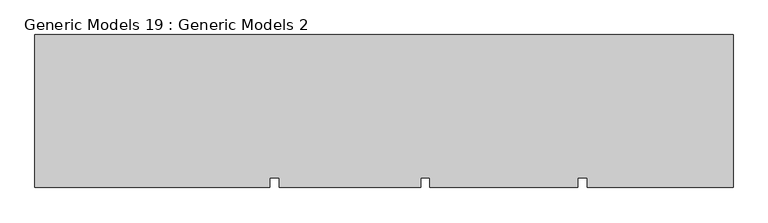
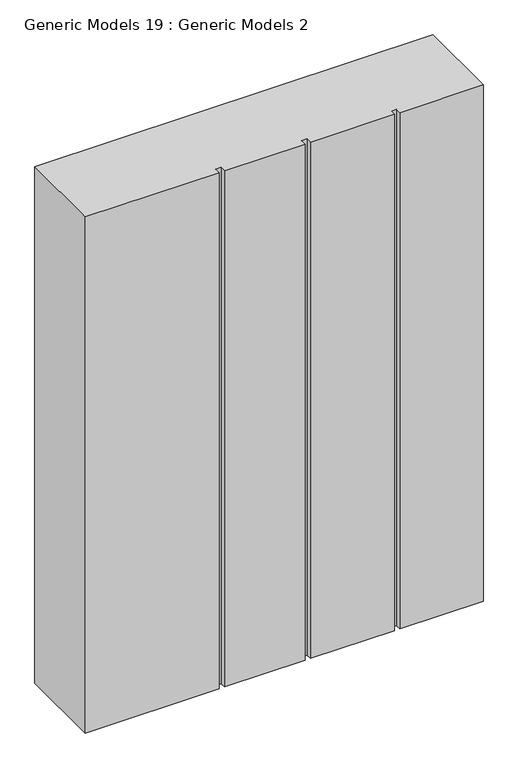
"""IFC4 building model written with IfcOpenShell, lengths in millimetres: proxy geometry, Generic Models 19 : Generic Models 2."""

import ifcopenshell
import ifcopenshell.guid

model = None  # the IFC model being written
_history = None  # IfcOwnerHistory: only IFC2X3 demands one
_inside = {}  # id of a spatial element -> (the spatial element, [elements in it])
_under = {}  # id of a project, library or spatial element -> (it, [spatial elements below it])
_declared = {}  # id of a project -> (the project, [libraries it declares])
_typed = {}  # id of a type object -> (the type object, [elements of that type])
_made_of = {}  # id of a material, layer set ... -> (it, [elements and type objects made of it])


def new_model(schema):
    """Start an empty IFC model of exactly this schema.

    Asked for "IFC4X3", IfcOpenShell would pick the latest addendum, in which some entities
    have other attributes; the version numbers below select the first issue.
    IFC2X3 requires an IfcOwnerHistory on every rooted entity: one is made here for all.
    """
    global model, _history
    if schema == "IFC4X3":
        model = ifcopenshell.file(schema_version=(4, 3, 0, 0))
    else:
        model = ifcopenshell.file(schema=schema)
    _inside.clear()
    _under.clear()
    _declared.clear()
    _typed.clear()
    _made_of.clear()
    _history = None
    if model.schema == "IFC2X3":
        org = make("IfcOrganization", Name="unknown")
        user = make(
            "IfcPersonAndOrganization",
            ThePerson=make("IfcPerson", FamilyName="unknown"),
            TheOrganization=org,
        )
        app = make(
            "IfcApplication",
            ApplicationDeveloper=org,
            Version="unknown",
            ApplicationFullName="unknown",
            ApplicationIdentifier="unknown",
        )
        _history = make(
            "IfcOwnerHistory",
            OwningUser=user,
            OwningApplication=app,
            ChangeAction="ADDED",
            CreationDate=0,
        )
    return model


def make(cls, **values):
    """One entity of the class cls with the attributes given. An attribute that is None is left unset."""
    return model.create_entity(
        cls, **{name: value for name, value in values.items() if value is not None}
    )


def rooted(cls, **values):
    """An entity with a GlobalId (a new one), such as an element, a storey or a relation."""
    return make(cls, GlobalId=ifcopenshell.guid.new(), OwnerHistory=_history, **values)


def si_unit(unit_type, name, prefix=None):
    """IfcSIUnit, for example si_unit("LENGTHUNIT", "METRE", prefix="MILLI")."""
    return make("IfcSIUnit", UnitType=unit_type, Prefix=prefix, Name=name)


def assignment(units):
    """IfcUnitAssignment: the units of a project."""
    return None if units is None else make("IfcUnitAssignment", Units=units)


def point(xyz):
    """IfcCartesianPoint."""
    return None if xyz is None else make("IfcCartesianPoint", Coordinates=xyz)


def direction(xyz):
    """IfcDirection."""
    return None if xyz is None else make("IfcDirection", DirectionRatios=xyz)


def frame(location, z_axis=None, x_axis=None):
    """IfcAxis2Placement3D, a coordinate frame: its origin and axes. An axis left out is left unset."""
    return make(
        "IfcAxis2Placement3D",
        Location=point(location),
        Axis=direction(z_axis),
        RefDirection=direction(x_axis),
    )


def origin():
    """The frame at (0, 0, 0) with its axes left unset."""
    return frame((0.0, 0.0, 0.0))


def place(relative_to, where):
    """IfcLocalPlacement: puts the frame where relative to a parent placement (None: the world)."""
    return make(
        "IfcLocalPlacement", PlacementRelTo=relative_to, RelativePlacement=where
    )


def context(
    kind, dimensions, precision=None, world=None, true_north=None, identifier=None
):
    """IfcGeometricRepresentationContext, for example the 3D "Model" context."""
    return make(
        "IfcGeometricRepresentationContext",
        ContextIdentifier=identifier,
        ContextType=kind,
        CoordinateSpaceDimension=dimensions,
        Precision=precision,
        WorldCoordinateSystem=world,
        TrueNorth=true_north,
    )


def project(units=None, contexts=None):
    """IfcProject with its units and contexts."""
    return rooted(
        "IfcProject",
        Name="project",
        RepresentationContexts=contexts,
        UnitsInContext=assignment(units),
    )


def spatial(cls, under=None, at=None, **own):
    """A site, building, storey or space (cls), placed at a placement, below another one or the project."""
    s = rooted(cls, ObjectPlacement=at, **own)
    if under is not None:
        _under.setdefault(under.id(), (under, []))[1].append(s)
    return s


def polyline(points):
    """IfcPolyline through the points."""
    return make("IfcPolyline", Points=[point(p) for p in points])


def outline(outer, holes=None, kind="AREA"):
    """IfcArbitraryClosedProfileDef: a profile drawn as a closed curve; with holes, ...WithVoids."""
    if holes is None:
        return make("IfcArbitraryClosedProfileDef", ProfileType=kind, OuterCurve=outer)
    return make(
        "IfcArbitraryProfileDefWithVoids",
        ProfileType=kind,
        OuterCurve=outer,
        InnerCurves=holes,
    )


def extrude(swept, where, along, depth):
    """IfcExtrudedAreaSolid: the profile swept, set in the frame where, extruded along a direction by depth."""
    return make(
        "IfcExtrudedAreaSolid",
        SweptArea=swept,
        Position=where,
        ExtrudedDirection=direction(along),
        Depth=depth,
    )


def shape(context_of_items, identifier, shape_type, items):
    """IfcShapeRepresentation: the items that make up one representation, for example the "Body"."""
    return make(
        "IfcShapeRepresentation",
        ContextOfItems=context_of_items,
        RepresentationIdentifier=identifier,
        RepresentationType=shape_type,
        Items=items,
    )


def source(mapping_origin, context_of_items, identifier, shape_type, items):
    """IfcRepresentationMap: a shape defined once, which mapped items show again and again."""
    return make(
        "IfcRepresentationMap",
        MappingOrigin=mapping_origin,
        MappedRepresentation=shape(context_of_items, identifier, shape_type, items),
    )


def transform(
    local_origin,
    x_axis=None,
    y_axis=None,
    z_axis=None,
    scale=None,
    scale2=None,
    scale3=None,
    uniform=True,
):
    """IfcCartesianTransformationOperator3D, or its non-uniform kind. x_axis, y_axis, z_axis: its Axis1, 2, 3."""
    if uniform:
        return make(
            "IfcCartesianTransformationOperator3D",
            Axis1=direction(x_axis),
            Axis2=direction(y_axis),
            LocalOrigin=point(local_origin),
            Scale=scale,
            Axis3=direction(z_axis),
        )
    return make(
        "IfcCartesianTransformationOperator3DnonUniform",
        Axis1=direction(x_axis),
        Axis2=direction(y_axis),
        LocalOrigin=point(local_origin),
        Scale=scale,
        Axis3=direction(z_axis),
        Scale2=scale2,
        Scale3=scale3,
    )


def mapped(mapping_source, mapping_target):
    """IfcMappedItem: shows the shape of a source again, moved by a transform."""
    return make(
        "IfcMappedItem", MappingSource=mapping_source, MappingTarget=mapping_target
    )


def made_of(thing, what):
    """Note that an element or type object is made of a material, layer set ...; save() writes the relation."""
    if what is not None:
        _made_of.setdefault(what.id(), (what, []))[1].append(thing)
    return thing


def element(
    cls,
    number,
    at=None,
    inside=None,
    cuts=None,
    type_object=None,
    material=None,
    context=None,
    identifier="Body",
    shape_type=None,
    held_by="IfcProductDefinitionShape",
    body=None,
    shapes=None,
    **own,
):
    """One element of the class cls, such as IfcWall. Its Tag is "e" and its number.

    at: its placement. inside: the storey or other place that contains it. cuts: it is an
    opening in that element (IfcRelVoidsElement). A single representation is given by context,
    identifier, shape_type and body (its items); several are given by shapes. held_by: the class
    of the entity that holds the representations. save() writes the other relations.
    """
    e = rooted(cls, Tag="e%d" % number, ObjectPlacement=at, **own)
    if body is not None:
        shapes = [shape(context, identifier, shape_type, body)]
    if shapes is not None:
        e.Representation = make(held_by, Representations=shapes)
    if inside is not None:
        _inside.setdefault(inside.id(), (inside, []))[1].append(e)
    if cuts is not None:
        rooted(
            "IfcRelVoidsElement", RelatingBuildingElement=cuts, RelatedOpeningElement=e
        )
    if type_object is not None:
        _typed.setdefault(type_object.id(), (type_object, []))[1].append(e)
    return made_of(e, material)


def aggregate(whole, parts):
    """IfcRelAggregates: a whole, such as a stair, and the parts it consists of."""
    return rooted("IfcRelAggregates", RelatingObject=whole, RelatedObjects=parts)


def save(model, path):
    """Write the relations noted so far, then the file.

    IfcRelAggregates (storeys below a building ...), IfcRelContainedInSpatialStructure (elements
    in a storey), IfcRelDefinesByType, IfcRelAssociatesMaterial and IfcRelDeclares: one each for
    every whole, place, type object, material and project.
    """
    for whole, parts in _under.values():
        aggregate(whole, parts)
    for where, things in _inside.values():
        rooted(
            "IfcRelContainedInSpatialStructure",
            RelatedElements=things,
            RelatingStructure=where,
        )
    for kind, things in _typed.values():
        rooted("IfcRelDefinesByType", RelatedObjects=things, RelatingType=kind)
    for what, things in _made_of.values():
        rooted("IfcRelAssociatesMaterial", RelatedObjects=things, RelatingMaterial=what)
    for by, libraries in _declared.values():
        rooted("IfcRelDeclares", RelatingContext=by, RelatedDefinitions=libraries)
    model.write(path)


def generic_models_19_generic_models_2_d8449663(model_context):
    return source(origin(), model_context, "Body", "SweptSolid", [
        extrude(outline(polyline([(2231.7164352, -19881.5060032), (2231.7164352, -20368.5482183), (1767.3070227, -20368.5482183), (1767.3070227, -20336.9057177), (1737.2735899, -20336.9057177), (1737.2735899, -20368.5482183), (1267.3070227, -20368.5482183), (1267.3070227, -20336.9057177), (1237.2735899, -20336.9057177), (1237.2735899, -20368.5482183), (787.3070227, -20368.5482183), (787.3070227, -20336.9057177), (757.2735899, -20336.9057177), (757.2735899, -20368.5482183), (10.2901007, -20368.5482183), (10.2901007, -19881.5060032), (2231.7164352, -19881.5060032)])), frame((0.0, 0.0, 9000.0), z_axis=(0.0, 0.0, 1.0), x_axis=(1.0, 0.0, 0.0)), (0.0, 0.0, 1.0), 3044.7067261),
    ])


if __name__ == "__main__":
    model = new_model("IFC4")
    model_context = context("Model", 3, world=origin())
    ifc_project = project(units=[si_unit("LENGTHUNIT", "METRE", prefix="MILLI")], contexts=[model_context])
    site = spatial("IfcSite", under=ifc_project)
    building = spatial("IfcBuilding", under=site)
    placement = place(None, origin())
    generic_models_19_generic_models_2_shape = generic_models_19_generic_models_2_d8449663(model_context)
    element("IfcBuildingElementProxy", 1, Name="Generic Models 19 : Generic Models 2", ObjectType="Generic Models 19 : Generic Models 2", at=placement, inside=building, context=model_context, shape_type="MappedRepresentation", body=[
        mapped(generic_models_19_generic_models_2_shape, transform((0.0, 0.0, 0.0), x_axis=(1.0, 0.0, 0.0), y_axis=(0.0, 1.0, 0.0), z_axis=(0.0, 0.0, 1.0))),
    ])
    save(model, "model.ifc")
